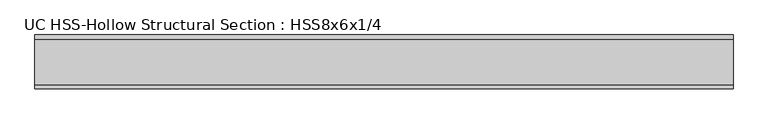
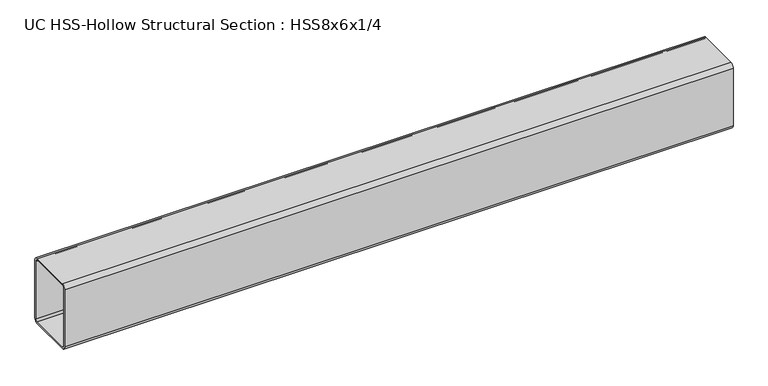
"""IFC4 building model written with IfcOpenShell, lengths in millimetres: beam geometry, UC HSS-Hollow Structural Section : HSS8x6x1/4."""

from ifc_helpers import new_model, si_unit, point, frame, frame_2d, origin, place, context, project, spatial, polyline, circle_curve, trimmed, segment, composite_curve, outline, extrude, source, transform, mapped, element, save


def uc_hss_hollow_structural_section_hss8x6x1_4_f260559d(model_context):
    return source(origin(), model_context, "Body", "SweptSolid", [
        extrude(outline(composite_curve([segment(polyline([(76.2, 89.7636), (76.2, -89.7636)]), True, "CONTINUOUS"), segment(trimmed(circle_curve(frame_2d((64.3636, -89.7636)), 11.8364), [point((76.2, -89.7636))], [point((64.3636, -101.6))], False, "CARTESIAN"), True, "CONTINUOUS"), segment(polyline([(64.3636, -101.6), (-64.3636, -101.6)]), True, "CONTINUOUS"), segment(trimmed(circle_curve(frame_2d((-64.3636, -89.7636)), 11.8364), [point((-64.3636, -101.6))], [point((-76.2, -89.7636))], False, "CARTESIAN"), True, "CONTINUOUS"), segment(polyline([(-76.2, -89.7636), (-76.2, 89.7636)]), True, "CONTINUOUS"), segment(trimmed(circle_curve(frame_2d((-64.3636, 89.7636)), 11.8364), [point((-76.2, 89.7636))], [point((-64.3636, 101.6))], False, "CARTESIAN"), True, "CONTINUOUS"), segment(polyline([(-64.3636, 101.6), (64.3636, 101.6)]), True, "CONTINUOUS"), segment(trimmed(circle_curve(frame_2d((64.3636, 89.7636)), 11.8364), [point((64.3636, 101.6))], [point((76.2, 89.7636))], False, "CARTESIAN"), True, "CONTINUOUS")], self_intersect=False), holes=[composite_curve([segment(trimmed(circle_curve(frame_2d((-64.3636, 89.7636)), 5.9182), [point((-64.3636, 95.6818))], [point((-70.2818, 89.7636))], True, "CARTESIAN"), True, "CONTINUOUS"), segment(polyline([(-70.2818, 89.7636), (-70.2818, -89.7636)]), True, "CONTINUOUS"), segment(trimmed(circle_curve(frame_2d((-64.3636, -89.7636)), 5.9182), [point((-70.2818, -89.7636))], [point((-64.3636, -95.6818))], True, "CARTESIAN"), True, "CONTINUOUS"), segment(polyline([(-64.3636, -95.6818), (64.3636, -95.6818)]), True, "CONTINUOUS"), segment(trimmed(circle_curve(frame_2d((64.3636, -89.7636)), 5.9182), [point((64.3636, -95.6818))], [point((70.2818, -89.7636))], True, "CARTESIAN"), True, "CONTINUOUS"), segment(polyline([(70.2818, -89.7636), (70.2818, 89.7636)]), True, "CONTINUOUS"), segment(trimmed(circle_curve(frame_2d((64.3636, 89.7636)), 5.9182), [point((70.2818, 89.7636))], [point((64.3636, 95.6818))], True, "CARTESIAN"), True, "CONTINUOUS"), segment(polyline([(64.3636, 95.6818), (-64.3636, 95.6818)]), True, "CONTINUOUS")], self_intersect=False)]), frame((-678.7226765, 0.0, 0.0), z_axis=(1.0, 0.0, 0.0), x_axis=(0.0, 1.0, 0.0)), (0.0, 0.0, 1.0), 1977.7122624),
    ])


if __name__ == "__main__":
    model = new_model("IFC4")
    model_context = context("Model", 3, world=origin())
    ifc_project = project(units=[si_unit("LENGTHUNIT", "METRE", prefix="MILLI")], contexts=[model_context])
    site = spatial("IfcSite", under=ifc_project)
    building = spatial("IfcBuilding", under=site)
    placement = place(None, origin())
    uc_hss_hollow_structural_section_hss8x6x1_4_shape = uc_hss_hollow_structural_section_hss8x6x1_4_f260559d(model_context)
    element("IfcBeam", 1, ObjectType="UC HSS-Hollow Structural Section : HSS8x6x1/4", at=placement, inside=building, context=model_context, shape_type="MappedRepresentation", body=[
        mapped(uc_hss_hollow_structural_section_hss8x6x1_4_shape, transform((0.0, 0.0, 0.0), x_axis=(1.0, 0.0, 0.0), y_axis=(0.0, 1.0, 0.0), z_axis=(0.0, 0.0, 1.0))),
    ])
    save(model, "model.ifc")
